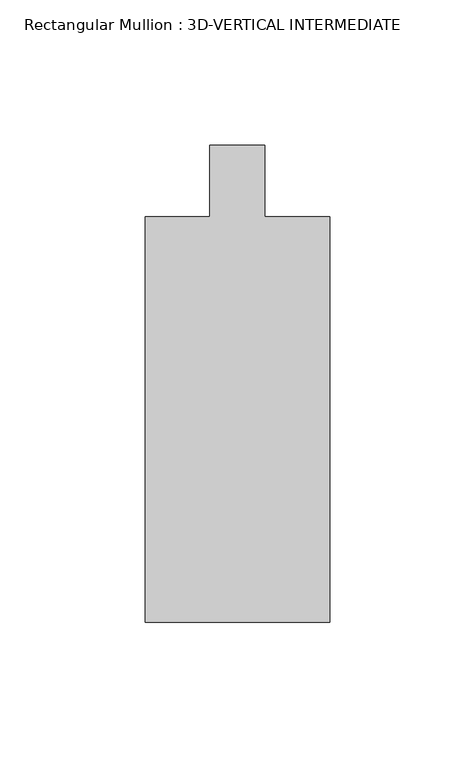
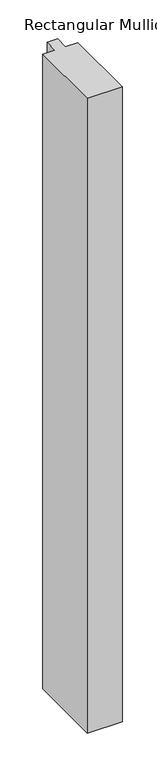
"""IFC4 building model written with IfcOpenShell, lengths in millimetres: member geometry, Rectangular Mullion : 3D-VERTICAL INTERMEDIATE."""

from ifc_helpers import new_model, si_unit, frame, origin, place, context, project, spatial, polyline, outline, extrude, source, transform, mapped, element, save


def rectangular_mullion_3d_vertical_intermediate_1ae832e5(model_context):
    return source(origin(), model_context, "Body", "SweptSolid", [
        extrude(outline(polyline([(31.75, -167.5804687), (-31.75, -167.5804687), (-31.75, -27.8804738), (-9.5251132, -27.8804738), (-9.5251132, -3.2619184), (9.5251132, -3.2619184), (9.5251132, -27.8804738), (31.75, -27.8804738), (31.75, -167.5804687)])), frame((0.0, 0.0, -1219.2), z_axis=(0.0, 0.0, 1.0), x_axis=(1.0, 0.0, 0.0)), (0.0, 0.0, 1.0), 1219.2),
    ])


if __name__ == "__main__":
    model = new_model("IFC4")
    model_context = context("Model", 3, world=origin())
    ifc_project = project(units=[si_unit("LENGTHUNIT", "METRE", prefix="MILLI")], contexts=[model_context])
    site = spatial("IfcSite", under=ifc_project)
    building = spatial("IfcBuilding", under=site)
    placement = place(None, origin())
    rectangular_mullion_3d_vertical_intermediate_shape = rectangular_mullion_3d_vertical_intermediate_1ae832e5(model_context)
    element("IfcMember", 1, ObjectType="Rectangular Mullion : 3D-VERTICAL INTERMEDIATE", at=placement, inside=building, context=model_context, shape_type="MappedRepresentation", body=[
        mapped(rectangular_mullion_3d_vertical_intermediate_shape, transform((0.0, 0.0, 0.0), x_axis=(1.0, 0.0, 0.0), y_axis=(0.0, 1.0, 0.0), z_axis=(0.0, 0.0, 1.0))),
    ])
    save(model, "model.ifc")
